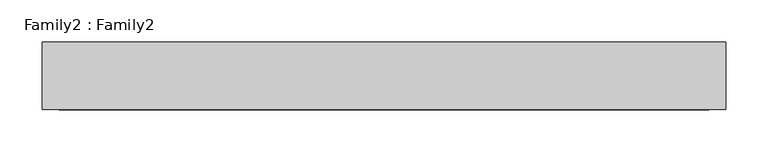
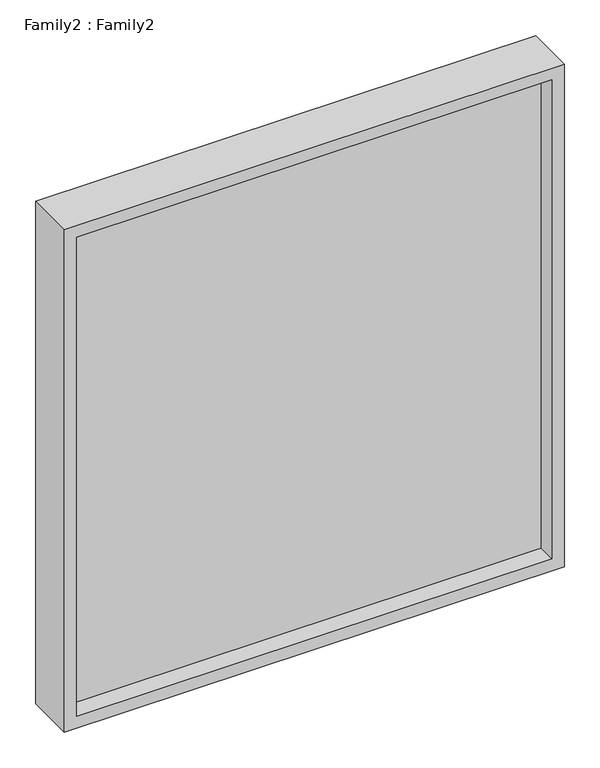
"""IFC4 building model written with IfcOpenShell, lengths in millimetres: plate geometry, Family2 : Family2."""

from ifc_helpers import new_model, si_unit, frame, origin, place, context, project, spatial, polyline, outline, extrude, source, transform, mapped, element, save


def family2_family2_7fac8f60(model_context):
    return source(origin(), model_context, "Body", "SweptSolid", [
        extrude(outline(polyline([(858.3333333, -404.1666667), (0.0, -404.1666667), (0.0, 404.1666667), (858.3333333, 404.1666667), (858.3333333, -404.1666667)]), holes=[polyline([(20.0, -384.1666667), (838.3333333, -384.1666667), (838.3333333, 384.1666667), (20.0, 384.1666667), (20.0, -384.1666667)])]), frame((0.0, -40.0, 0.0), z_axis=(0.0, 1.0, 0.0), x_axis=(0.0, 0.0, 1.0)), (0.0, 0.0, 1.0), 80.0),
        extrude(outline(polyline([(384.1666667, -10.0), (-384.1666667, -10.0), (-384.1666667, 10.0), (384.1666667, 10.0), (384.1666667, -10.0)])), frame((0.0, 0.0, 20.0), z_axis=(0.0, 0.0, 1.0), x_axis=(1.0, 0.0, 0.0)), (0.0, 0.0, 1.0), 818.3333333),
    ])


if __name__ == "__main__":
    model = new_model("IFC4")
    model_context = context("Model", 3, world=origin())
    ifc_project = project(units=[si_unit("LENGTHUNIT", "METRE", prefix="MILLI")], contexts=[model_context])
    site = spatial("IfcSite", under=ifc_project)
    building = spatial("IfcBuilding", under=site)
    placement = place(None, origin())
    family2_family2_shape = family2_family2_7fac8f60(model_context)
    element("IfcPlate", 1, ObjectType="Family2 : Family2", at=placement, inside=building, context=model_context, shape_type="MappedRepresentation", body=[
        mapped(family2_family2_shape, transform((0.0, 0.0, 0.0), x_axis=(1.0, 0.0, 0.0), y_axis=(0.0, 1.0, 0.0), z_axis=(0.0, 0.0, 1.0))),
    ])
    save(model, "model.ifc")
